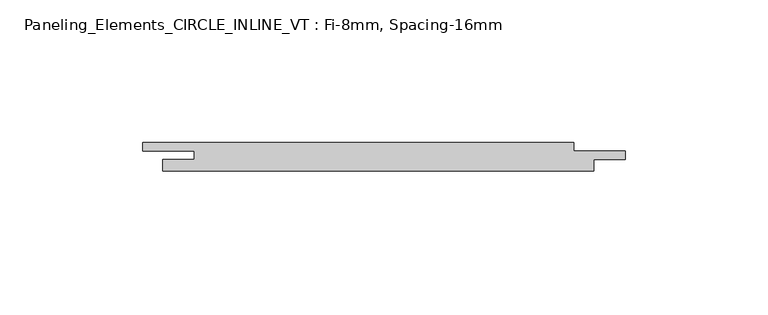
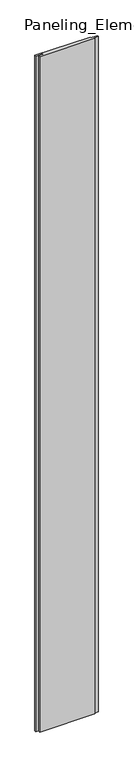
"""IFC4 building model written with IfcOpenShell, lengths in millimetres: plate geometry, Paneling_Elements_CIRCLE_INLINE_VT : Fi-8mm, Spacing-16mm."""

from ifc_helpers import new_model, si_unit, origin, origin_with_axes, place, context, project, spatial, polyline, outline, extrude, source, transform, mapped, element, save


def paneling_elements_circle_inline_vt_fi_8mm_spacing_16mm_a3eef108(model_context):
    return source(origin(), model_context, "Body", "SweptSolid", [
        extrude(outline(polyline([(68.5, 5.0), (68.5, 2.0), (86.5, 2.0), (86.5, -1.0), (75.5, -1.0), (75.5, -5.0), (-75.5, -5.0), (-75.5, -1.0), (-64.5, -1.0), (-64.5, 2.0), (-82.5, 2.0), (-82.5, 5.0), (68.5, 5.0)])), origin_with_axes(), (0.0, 0.0, 1.0), 1951.0),
    ])


if __name__ == "__main__":
    model = new_model("IFC4")
    model_context = context("Model", 3, world=origin())
    ifc_project = project(units=[si_unit("LENGTHUNIT", "METRE", prefix="MILLI")], contexts=[model_context])
    site = spatial("IfcSite", under=ifc_project)
    building = spatial("IfcBuilding", under=site)
    placement = place(None, origin())
    paneling_elements_circle_inline_vt_fi_8mm_spacing_16mm_shape = paneling_elements_circle_inline_vt_fi_8mm_spacing_16mm_a3eef108(model_context)
    element("IfcPlate", 1, ObjectType="Paneling_Elements_CIRCLE_INLINE_VT : Fi-8mm, Spacing-16mm", at=placement, inside=building, context=model_context, shape_type="MappedRepresentation", body=[
        mapped(paneling_elements_circle_inline_vt_fi_8mm_spacing_16mm_shape, transform((0.0, 0.0, 0.0), x_axis=(1.0, 0.0, 0.0), y_axis=(0.0, 1.0, 0.0), z_axis=(0.0, 0.0, 1.0))),
    ])
    save(model, "model.ifc")
